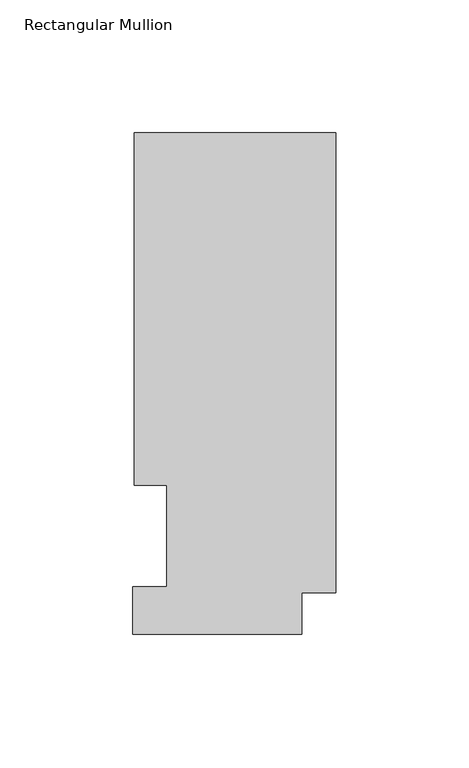
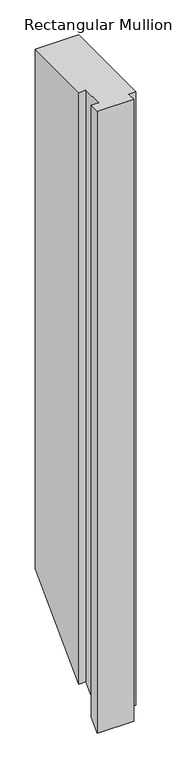
"""IFC4 building model written with IfcOpenShell, lengths in millimetres: member geometry, Rectangular Mullion."""

from ifc_helpers import new_model, si_unit, origin, place, context, project, spatial, faceted_brep, source, transform, mapped, element, save


def rectangular_mullion_9ce9feb5(model_context):
    return source(origin(), model_context, "Body", "Brep", [
        faceted_brep([(-12.7, 0.5199063, 0.0), (-12.7, 16.1663063, 0.0), (0.0, 16.1663063, 0.0), (0.0, 189.0895063, 0.0), (-75.7936, 189.0895063, 0.0), (-75.7936, 56.6539062, 0.0), (-63.5, 56.6539062, 0.0), (-63.5, 18.5539062, 0.0), (-76.2, 18.5539063, 0.0), (-76.2, 0.5199063, 0.0), (-12.7, 0.5199063, -1148.2452107), (-12.7, 16.1663063, -1132.5988107), (0.0, 16.1663063, -1132.5988107), (0.0, 189.0895063, -959.6756107), (-75.7936, 189.0895063, -959.6756107), (-75.7936, 56.6539063, -1092.1112107), (-63.5, 56.6539062, -1092.1112107), (-63.5, 18.5539062, -1130.2112107), (-76.2, 18.5539063, -1130.2112107), (-76.2, 0.5199063, -1148.2452107)], [[[0, 1, 2, 3, 4, 5, 6, 7, 8, 9]], [[1, 0, 10, 11]], [[2, 1, 11, 12]], [[3, 2, 12, 13]], [[4, 3, 13, 14]], [[5, 4, 14, 15]], [[6, 5, 15, 16]], [[7, 6, 16, 17]], [[8, 7, 17, 18]], [[9, 8, 18, 19]], [[0, 9, 19, 10]], [[10, 19, 18, 17, 16, 15, 14, 13, 12, 11]]]),
    ])


if __name__ == "__main__":
    model = new_model("IFC4")
    model_context = context("Model", 3, world=origin())
    ifc_project = project(units=[si_unit("LENGTHUNIT", "METRE", prefix="MILLI")], contexts=[model_context])
    site = spatial("IfcSite", under=ifc_project)
    building = spatial("IfcBuilding", under=site)
    placement = place(None, origin())
    rectangular_mullion_shape = rectangular_mullion_9ce9feb5(model_context)
    element("IfcMember", 1, ObjectType="Rectangular Mullion", at=placement, inside=building, context=model_context, shape_type="MappedRepresentation", body=[
        mapped(rectangular_mullion_shape, transform((0.0, 0.0, 0.0), x_axis=(1.0, 0.0, 0.0), y_axis=(0.0, 1.0, 0.0), z_axis=(0.0, 0.0, 1.0))),
    ])
    save(model, "model.ifc")
